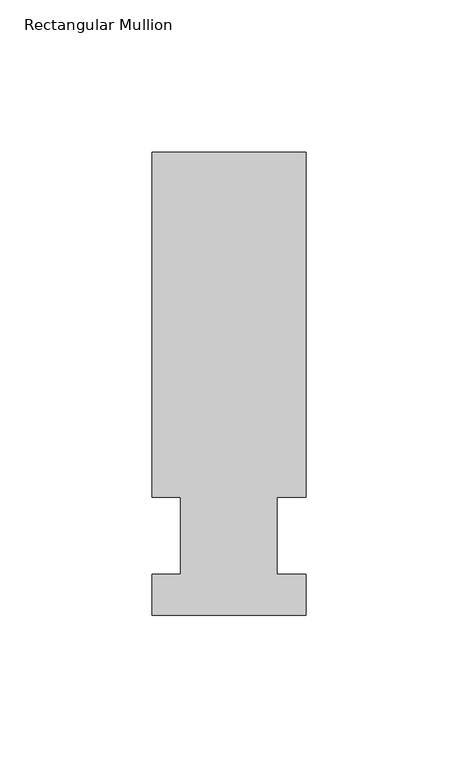
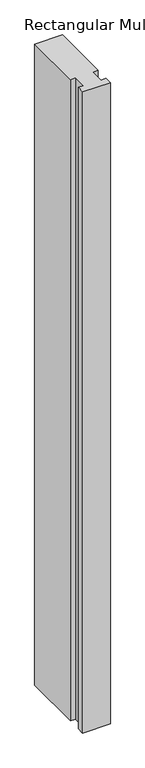
"""IFC4 building model written with IfcOpenShell, lengths in millimetres: member geometry, Rectangular Mullion."""

from ifc_helpers import new_model, si_unit, frame, origin, place, context, project, spatial, polyline, outline, extrude, source, transform, mapped, element, save


def rectangular_mullion_96ca9fa9(model_context):
    return source(origin(), model_context, "Body", "SweptSolid", [
        extrude(outline(polyline([(-25.4, -26.19375), (-25.4, -12.7), (-15.875, -12.7), (-15.875, 12.7), (-25.4, 12.7), (-25.4, 126.20625), (25.4, 126.20625), (25.4, 12.7), (15.875, 12.7), (15.875, -12.7), (25.4, -12.7), (25.4, -26.19375), (-25.4, -26.19375)])), frame((0.0, 0.0, -1244.6), z_axis=(0.0, 0.0, 1.0), x_axis=(1.0, 0.0, 0.0)), (0.0, 0.0, 1.0), 1244.6),
    ])


if __name__ == "__main__":
    model = new_model("IFC4")
    model_context = context("Model", 3, world=origin())
    ifc_project = project(units=[si_unit("LENGTHUNIT", "METRE", prefix="MILLI")], contexts=[model_context])
    site = spatial("IfcSite", under=ifc_project)
    building = spatial("IfcBuilding", under=site)
    placement = place(None, origin())
    rectangular_mullion_shape = rectangular_mullion_96ca9fa9(model_context)
    element("IfcMember", 1, ObjectType="Rectangular Mullion", at=placement, inside=building, context=model_context, shape_type="MappedRepresentation", body=[
        mapped(rectangular_mullion_shape, transform((0.0, 0.0, 0.0), x_axis=(1.0, 0.0, 0.0), y_axis=(0.0, 1.0, 0.0), z_axis=(0.0, 0.0, 1.0))),
    ])
    save(model, "model.ifc")
